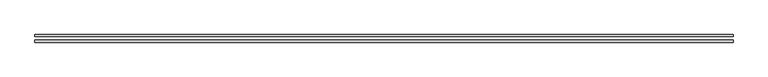
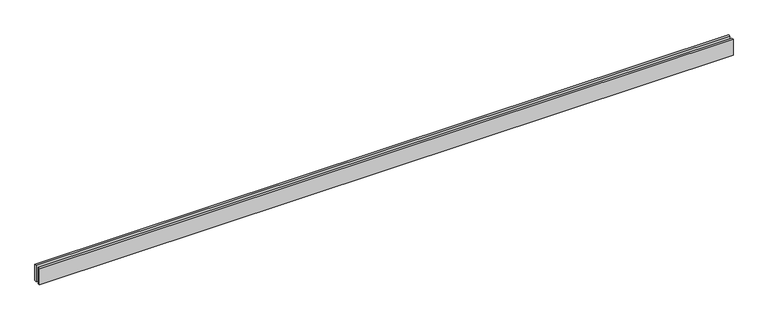
"""IFC4 building model written with IfcOpenShell, lengths in millimetres: proxy geometry."""

from ifc_helpers import new_model, si_unit, origin, origin_with_axes, place, context, project, spatial, polyline, outline, extrude, source, transform, mapped, element, save


def generic_models_67e082e5(model_context):
    return source(origin(), model_context, "Body", "SweptSolid", [
        extrude(outline(polyline([(10110.0, -25.0), (10110.0, -55.0), (0.0, -55.0), (0.0, -25.0), (10110.0, -25.0)])), origin_with_axes(), (0.0, 0.0, 1.0), 250.0),
        extrude(outline(polyline([(10110.0, 55.0), (10110.0, 25.0), (0.0, 25.0), (0.0, 55.0), (10110.0, 55.0)])), origin_with_axes(), (0.0, 0.0, 1.0), 250.0),
    ])


if __name__ == "__main__":
    model = new_model("IFC4")
    model_context = context("Model", 3, world=origin())
    ifc_project = project(units=[si_unit("LENGTHUNIT", "METRE", prefix="MILLI")], contexts=[model_context])
    site = spatial("IfcSite", under=ifc_project)
    building = spatial("IfcBuilding", under=site)
    placement = place(None, origin())
    generic_models_shape = generic_models_67e082e5(model_context)
    element("IfcBuildingElementProxy", 1, Name="Generic Models", at=placement, inside=building, context=model_context, shape_type="MappedRepresentation", body=[
        mapped(generic_models_shape, transform((0.0, 0.0, 0.0), x_axis=(1.0, 0.0, 0.0), y_axis=(0.0, 1.0, 0.0), z_axis=(0.0, 0.0, 1.0))),
    ])
    save(model, "model.ifc")
